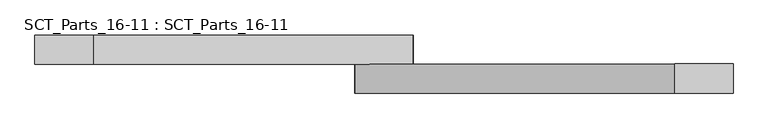
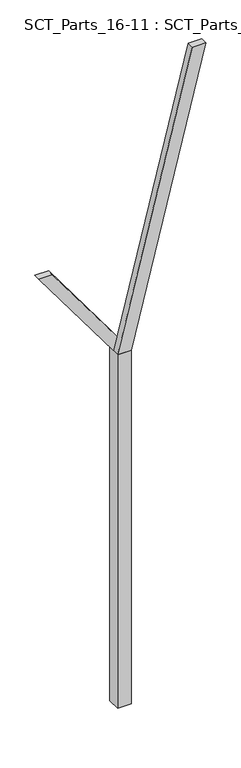
"""IFC4 building model written with IfcOpenShell, lengths in millimetres: proxy geometry, SCT_Parts_16-11 : SCT_Parts_16-11."""

from ifc_helpers import new_model, si_unit, frame, origin, origin_with_axes, place, context, project, spatial, polyline, outline, extrude, source, transform, mapped, element, save


def sct_parts_16_11_sct_parts_16_11_ee17a10e(model_context):
    return source(origin(), model_context, "Body", "SweptSolid", [
        extrude(outline(polyline([(5500.0, 200.0), (9900.0, 1300.0), (9900.0, 1100.0), (5500.0, 0.0), (5500.0, 200.0)])), frame((0.0, -200.0, 0.0), z_axis=(0.0, 1.0, 0.0), x_axis=(0.0, 0.0, 1.0)), (0.0, 0.0, 1.0), 100.0),
        extrude(outline(polyline([(5500.0, 0.0), (5500.0, 200.0), (7000.0, -900.0), (7000.0, -1100.0), (5500.0, 0.0)])), frame((0.0, -100.0, 0.0), z_axis=(0.0, 1.0, 0.0), x_axis=(0.0, 0.0, 1.0)), (0.0, 0.0, 1.0), 100.0),
        extrude(outline(polyline([(200.0, -200.0), (0.0, -200.0), (0.0, 0.0), (200.0, 0.0), (200.0, -200.0)])), origin_with_axes(), (0.0, 0.0, 1.0), 5500.0),
    ])


if __name__ == "__main__":
    model = new_model("IFC4")
    model_context = context("Model", 3, world=origin())
    ifc_project = project(units=[si_unit("LENGTHUNIT", "METRE", prefix="MILLI")], contexts=[model_context])
    site = spatial("IfcSite", under=ifc_project)
    building = spatial("IfcBuilding", under=site)
    placement = place(None, origin())
    sct_parts_16_11_sct_parts_16_11_shape = sct_parts_16_11_sct_parts_16_11_ee17a10e(model_context)
    element("IfcBuildingElementProxy", 1, Name="SCT_Parts_16-11 : SCT_Parts_16-11", ObjectType="SCT_Parts_16-11 : SCT_Parts_16-11", at=placement, inside=building, context=model_context, shape_type="MappedRepresentation", body=[
        mapped(sct_parts_16_11_sct_parts_16_11_shape, transform((0.0, 0.0, 0.0), x_axis=(1.0, 0.0, 0.0), y_axis=(0.0, 1.0, 0.0), z_axis=(0.0, 0.0, 1.0))),
    ])
    save(model, "model.ifc")
